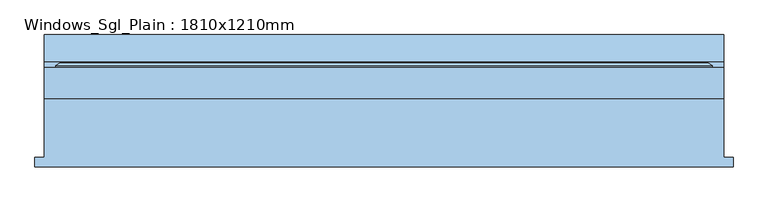
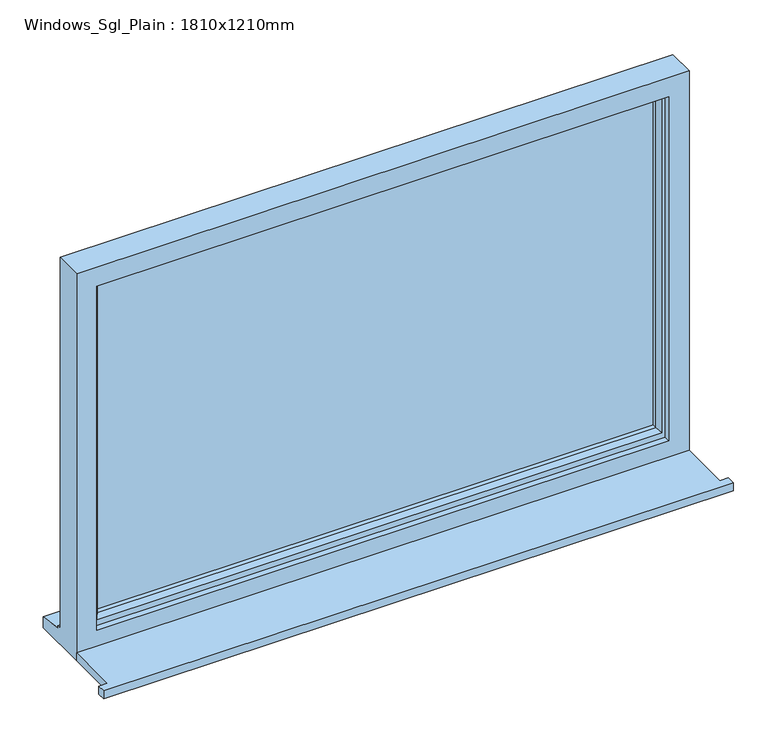
"""IFC4 building model written with IfcOpenShell, lengths in millimetres: window geometry, Windows_Sgl_Plain : 1810x1210mm."""

from ifc_helpers import new_model, si_unit, frame, origin, place, context, project, spatial, polyline, outline, extrude, faceted_brep, source, transform, mapped, element, save


def windows_sgl_plain_1810x1210mm_114720e4(model_context):
    return source(origin(), model_context, "Body", "SolidModel", [
        extrude(outline(polyline([(-930.0, -161.5434322), (-930.0, -136.5434322), (-905.0, -136.5434322), (-905.0, 20.4565678), (905.0, 20.4565678), (905.0, -136.5434322), (930.0, -136.5434322), (930.0, -161.5434322), (-930.0, -161.5434322)])), frame((0.0, 0.0, 900.0), z_axis=(0.0, 0.0, 1.0), x_axis=(1.0, 0.0, 0.0)), (0.0, 0.0, 1.0), 25.0),
        faceted_brep([(-905.0, 20.4565678, 900.0), (905.0, 20.4565678, 900.0), (905.0, 20.4565678, 2110.0), (-905.0, 20.4565678, 2110.0), (-845.0, 20.4565678, 2050.0), (845.0, 20.4565678, 2050.0), (845.0, 20.4565678, 975.0), (-845.0, 20.4565678, 975.0), (-905.0, 103.4565678, 2110.0), (-905.0, 103.4565678, 951.0), (-905.0, 118.4565678, 949.68767), (-905.0, 118.4565678, 944.7449676), (-905.0, 190.9565678, 933.8088847), (-905.0, 190.9565678, 900.0), (905.0, 103.4565678, 2110.0), (905.0, 103.4565678, 951.0), (-865.0, 103.4565678, 2070.0), (-865.0, 103.4565678, 963.0), (865.0, 103.4565678, 963.0), (865.0, 103.4565678, 2070.0), (-865.0, 38.4565678, 2070.0), (-865.0, 38.4565678, 963.0), (865.0, 38.4565678, 2070.0), (865.0, 38.4565678, 963.0), (-845.0, 38.4565678, 2050.0), (-845.0, 38.4565678, 975.0), (845.0, 38.4565678, 975.0), (845.0, 38.4565678, 2050.0), (905.0, 190.9565678, 900.0), (905.0, 190.9565678, 933.8088847), (905.0, 118.4565678, 944.7449676), (905.0, 118.4565678, 949.68767)], [[[0, 1, 2, 3], [4, 5, 6, 7]], [[0, 3, 8, 9, 10, 11, 12, 13]], [[9, 8, 14, 15], [16, 17, 18, 19]], [[17, 16, 20, 21]], [[20, 22, 23, 21], [24, 25, 26, 27]], [[24, 4, 7, 25]], [[3, 2, 14, 8]], [[16, 19, 22, 20]], [[5, 4, 24, 27]], [[15, 14, 2, 1, 28, 29, 30, 31]], [[19, 18, 23, 22]], [[5, 27, 26, 6]], [[28, 1, 0, 13]], [[29, 28, 13, 12]], [[30, 29, 12, 11]], [[31, 30, 11, 10]], [[15, 31, 10, 9]], [[21, 23, 18, 17]], [[7, 6, 26, 25]]]),
        extrude(outline(polyline([(835.0, 67.4565678), (-835.0, 67.4565678), (-835.0, 91.4565678), (835.0, 91.4565678), (835.0, 67.4565678)])), frame((0.0, 0.0, 993.0), z_axis=(0.0, 0.0, 1.0), x_axis=(1.0, 0.0, 0.0)), (0.0, 0.0, 1.0), 1047.0),
        faceted_brep([(-875.0, 103.4565678, 2080.0), (-875.0, 109.2300705, 2080.0), (-875.0, 109.2300705, 953.0), (-875.0, 103.4565678, 953.0), (-865.0, 38.4565678, 2070.0), (-865.0, 103.4565678, 2070.0), (-865.0, 103.4565678, 963.0), (-865.0, 38.4565678, 963.0), (-825.0, 52.9494677, 2030.0), (-835.1480377, 38.4565678, 2040.1480377), (-835.1480377, 38.4565678, 992.8519623), (-825.0, 52.9494677, 1003.0), (-825.0, 67.4565678, 2030.0), (-825.0, 67.4565678, 1003.0), (-835.0, 91.4565678, 2040.0), (-835.0, 67.4565678, 2040.0), (-835.0, 67.4565678, 993.0), (-835.0, 91.4565678, 993.0), (-825.0, 109.2300705, 2030.0), (-825.0, 91.4565678, 2030.0), (-825.0, 91.4565678, 1003.0), (-825.0, 109.2300705, 1003.0), (-842.4457548, 115.0035732, 2047.4457548), (-842.4457548, 115.0035732, 985.5542452), (-864.2153903, 115.0035732, 2069.2153903), (-864.2153903, 115.0035732, 963.7846097), (875.0, 109.2300705, 953.0), (875.0, 103.4565678, 953.0), (865.0, 103.4565678, 963.0), (865.0, 38.4565678, 963.0), (835.1480377, 38.4565678, 992.8519623), (825.0, 52.9494677, 1003.0), (825.0, 67.4565678, 1003.0), (835.0, 67.4565678, 993.0), (835.0, 91.4565678, 993.0), (825.0, 91.4565678, 1003.0), (825.0, 109.2300705, 1003.0), (842.4457548, 115.0035732, 985.5542452), (864.2153903, 115.0035732, 963.7846097), (875.0, 109.2300705, 2080.0), (875.0, 103.4565678, 2080.0), (865.0, 103.4565678, 2070.0), (865.0, 38.4565678, 2070.0), (835.1480377, 38.4565678, 2040.1480377), (825.0, 52.9494677, 2030.0), (825.0, 67.4565678, 2030.0), (835.0, 67.4565678, 2040.0), (835.0, 91.4565678, 2040.0), (825.0, 91.4565678, 2030.0), (825.0, 109.2300705, 2030.0), (842.4457548, 115.0035732, 2047.4457548), (864.2153903, 115.0035732, 2069.2153903)], [[[0, 1, 2, 3]], [[4, 5, 6, 7]], [[8, 9, 10, 11]], [[12, 8, 11, 13]], [[14, 15, 16, 17]], [[18, 19, 20, 21]], [[22, 18, 21, 23]], [[1, 24, 25, 2]], [[3, 2, 26, 27]], [[7, 6, 28, 29]], [[11, 10, 30, 31]], [[13, 11, 31, 32]], [[17, 16, 33, 34]], [[21, 20, 35, 36]], [[23, 21, 36, 37]], [[2, 25, 38, 26]], [[27, 26, 39, 40]], [[29, 28, 41, 42]], [[31, 30, 43, 44]], [[32, 31, 44, 45]], [[34, 33, 46, 47]], [[36, 35, 48, 49]], [[37, 36, 49, 50]], [[26, 38, 51, 39]], [[40, 39, 1, 0]], [[3, 27, 40, 0], [5, 41, 28, 6]], [[42, 41, 5, 4]], [[7, 29, 42, 4], [9, 43, 30, 10]], [[44, 43, 9, 8]], [[45, 44, 8, 12]], [[15, 46, 33, 16], [13, 32, 45, 12]], [[47, 46, 15, 14]], [[17, 34, 47, 14], [19, 48, 35, 20]], [[49, 48, 19, 18]], [[50, 49, 18, 22]], [[24, 51, 38, 25], [23, 37, 50, 22]], [[39, 51, 24, 1]]]),
    ])


if __name__ == "__main__":
    model = new_model("IFC4")
    model_context = context("Model", 3, world=origin())
    ifc_project = project(units=[si_unit("LENGTHUNIT", "METRE", prefix="MILLI")], contexts=[model_context])
    site = spatial("IfcSite", under=ifc_project)
    building = spatial("IfcBuilding", under=site)
    placement = place(None, origin())
    windows_sgl_plain_1810x1210mm_shape = windows_sgl_plain_1810x1210mm_114720e4(model_context)
    element("IfcWindow", 1, ObjectType="Windows_Sgl_Plain : 1810x1210mm", at=placement, inside=building, context=model_context, shape_type="MappedRepresentation", body=[
        mapped(windows_sgl_plain_1810x1210mm_shape, transform((0.0, 0.0, 0.0), x_axis=(1.0, 0.0, 0.0), y_axis=(0.0, 1.0, 0.0), z_axis=(0.0, 0.0, 1.0))),
    ])
    save(model, "model.ifc")
